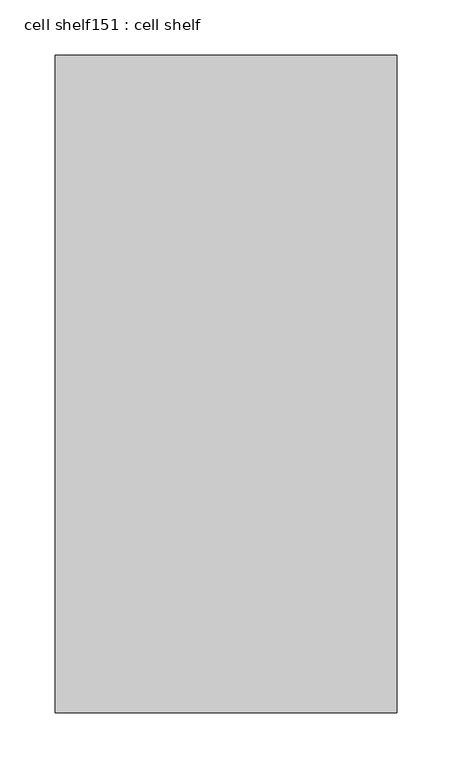
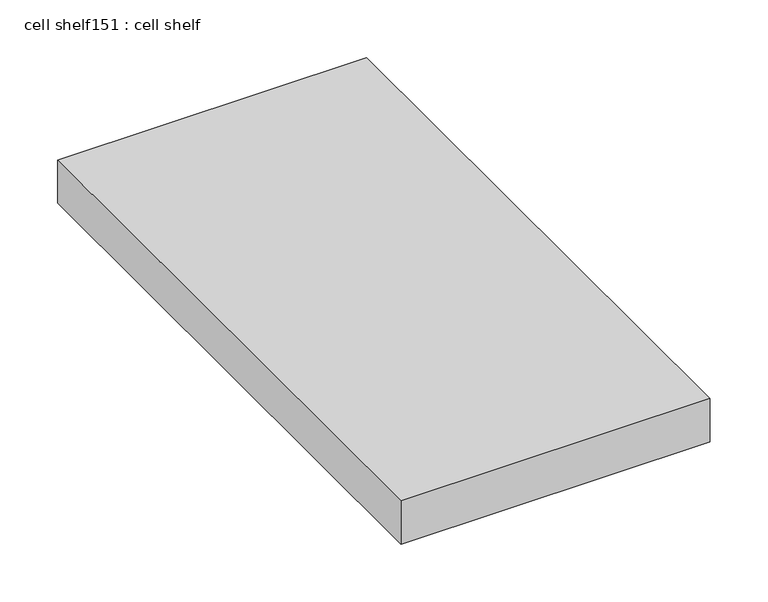
"""IFC4 building model written with IfcOpenShell, lengths in millimetres: proxy geometry, cell shelf151 : cell shelf."""

from ifc_helpers import new_model, si_unit, frame, origin, place, context, project, spatial, polyline, outline, extrude, source, transform, mapped, element, save


def cell_shelf151_cell_shelf_6546d1be(model_context):
    return source(origin(), model_context, "Body", "SweptSolid", [
        extrude(outline(polyline([(-123561.2826094, -72014.3928685), (-123561.2826094, -72609.4792641), (-123870.6304059, -72609.4792641), (-123870.6304059, -72014.3928685), (-123561.2826094, -72014.3928685)])), frame((0.0, 0.0, 1320.0941517), z_axis=(0.0, 0.0, 1.0), x_axis=(1.0, 0.0, 0.0)), (0.0, 0.0, 1.0), 45.8133004),
    ])


if __name__ == "__main__":
    model = new_model("IFC4")
    model_context = context("Model", 3, world=origin())
    ifc_project = project(units=[si_unit("LENGTHUNIT", "METRE", prefix="MILLI")], contexts=[model_context])
    site = spatial("IfcSite", under=ifc_project)
    building = spatial("IfcBuilding", under=site)
    placement = place(None, origin())
    cell_shelf151_cell_shelf_shape = cell_shelf151_cell_shelf_6546d1be(model_context)
    element("IfcBuildingElementProxy", 1, Name="cell shelf151 : cell shelf", ObjectType="cell shelf151 : cell shelf", at=placement, inside=building, context=model_context, shape_type="MappedRepresentation", body=[
        mapped(cell_shelf151_cell_shelf_shape, transform((0.0, 0.0, 0.0), x_axis=(1.0, 0.0, 0.0), y_axis=(0.0, 1.0, 0.0), z_axis=(0.0, 0.0, 1.0))),
    ])
    save(model, "model.ifc")
